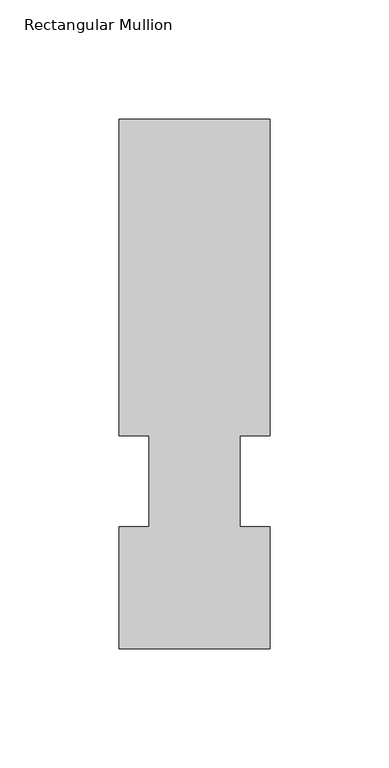
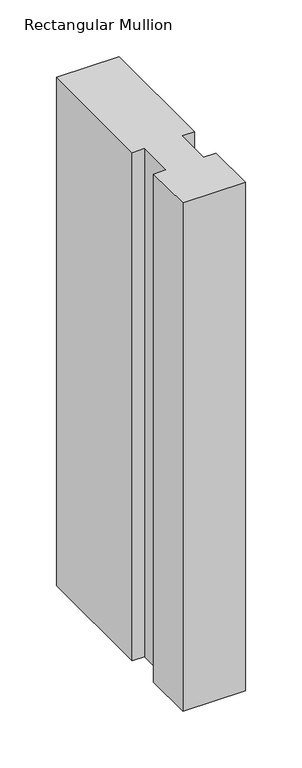
"""IFC4 building model written with IfcOpenShell, lengths in millimetres: member geometry, Rectangular Mullion."""

from ifc_helpers import new_model, si_unit, frame, origin, place, context, project, spatial, polyline, outline, extrude, source, transform, mapped, element, save


def rectangular_mullion_d052f0e4(model_context):
    return source(origin(), model_context, "Body", "SweptSolid", [
        extrude(outline(polyline([(-63.5001815, 89.5945313), (-63.5001815, 222.5383905), (-0.0002593, 222.5383905), (-0.0002593, 89.5945313), (-12.6873748, 89.5945313), (-12.6873748, 51.4947905), (0.0, 51.4947905), (0.0, 0.2123143), (-63.5000748, 0.2123143), (-63.5000748, 51.4948896), (-50.7889236, 51.4948896), (-50.7889236, 89.5945313), (-63.5001815, 89.5945313)])), frame((0.0, 0.0, -546.0999996), z_axis=(0.0, 0.0, 1.0), x_axis=(1.0, 0.0, 0.0)), (0.0, 0.0, 1.0), 546.0999996),
    ])


if __name__ == "__main__":
    model = new_model("IFC4")
    model_context = context("Model", 3, world=origin())
    ifc_project = project(units=[si_unit("LENGTHUNIT", "METRE", prefix="MILLI")], contexts=[model_context])
    site = spatial("IfcSite", under=ifc_project)
    building = spatial("IfcBuilding", under=site)
    placement = place(None, origin())
    rectangular_mullion_shape = rectangular_mullion_d052f0e4(model_context)
    element("IfcMember", 1, ObjectType="Rectangular Mullion", at=placement, inside=building, context=model_context, shape_type="MappedRepresentation", body=[
        mapped(rectangular_mullion_shape, transform((0.0, 0.0, 0.0), x_axis=(1.0, 0.0, 0.0), y_axis=(0.0, 1.0, 0.0), z_axis=(0.0, 0.0, 1.0))),
    ])
    save(model, "model.ifc")
